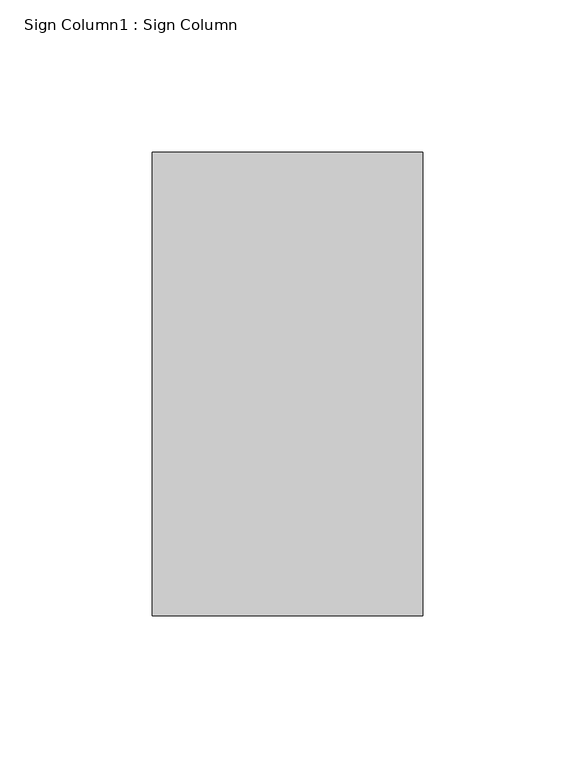
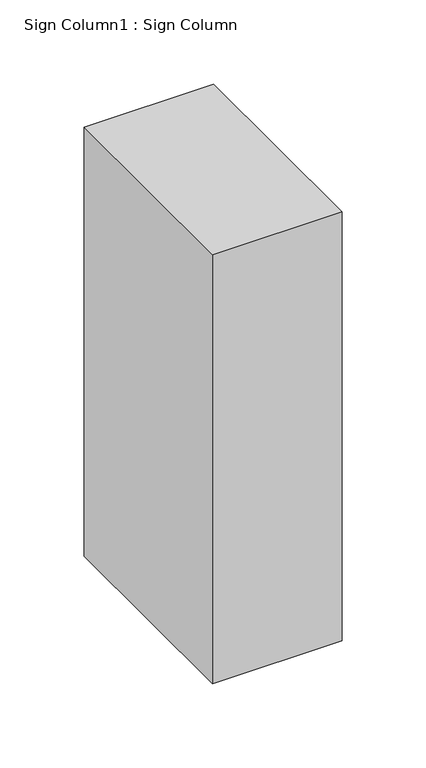
"""IFC4 building model written with IfcOpenShell, lengths in millimetres: proxy geometry, Sign Column1 : Sign Column."""

import ifcopenshell
import ifcopenshell.guid

model = None  # the IFC model being written
_history = None  # IfcOwnerHistory: only IFC2X3 demands one
_inside = {}  # id of a spatial element -> (the spatial element, [elements in it])
_under = {}  # id of a project, library or spatial element -> (it, [spatial elements below it])
_declared = {}  # id of a project -> (the project, [libraries it declares])
_typed = {}  # id of a type object -> (the type object, [elements of that type])
_made_of = {}  # id of a material, layer set ... -> (it, [elements and type objects made of it])


def new_model(schema):
    """Start an empty IFC model of exactly this schema.

    Asked for "IFC4X3", IfcOpenShell would pick the latest addendum, in which some entities
    have other attributes; the version numbers below select the first issue.
    IFC2X3 requires an IfcOwnerHistory on every rooted entity: one is made here for all.
    """
    global model, _history
    if schema == "IFC4X3":
        model = ifcopenshell.file(schema_version=(4, 3, 0, 0))
    else:
        model = ifcopenshell.file(schema=schema)
    _inside.clear()
    _under.clear()
    _declared.clear()
    _typed.clear()
    _made_of.clear()
    _history = None
    if model.schema == "IFC2X3":
        org = make("IfcOrganization", Name="unknown")
        user = make(
            "IfcPersonAndOrganization",
            ThePerson=make("IfcPerson", FamilyName="unknown"),
            TheOrganization=org,
        )
        app = make(
            "IfcApplication",
            ApplicationDeveloper=org,
            Version="unknown",
            ApplicationFullName="unknown",
            ApplicationIdentifier="unknown",
        )
        _history = make(
            "IfcOwnerHistory",
            OwningUser=user,
            OwningApplication=app,
            ChangeAction="ADDED",
            CreationDate=0,
        )
    return model


def make(cls, **values):
    """One entity of the class cls with the attributes given. An attribute that is None is left unset."""
    return model.create_entity(
        cls, **{name: value for name, value in values.items() if value is not None}
    )


def rooted(cls, **values):
    """An entity with a GlobalId (a new one), such as an element, a storey or a relation."""
    return make(cls, GlobalId=ifcopenshell.guid.new(), OwnerHistory=_history, **values)


def si_unit(unit_type, name, prefix=None):
    """IfcSIUnit, for example si_unit("LENGTHUNIT", "METRE", prefix="MILLI")."""
    return make("IfcSIUnit", UnitType=unit_type, Prefix=prefix, Name=name)


def assignment(units):
    """IfcUnitAssignment: the units of a project."""
    return None if units is None else make("IfcUnitAssignment", Units=units)


def point(xyz):
    """IfcCartesianPoint."""
    return None if xyz is None else make("IfcCartesianPoint", Coordinates=xyz)


def direction(xyz):
    """IfcDirection."""
    return None if xyz is None else make("IfcDirection", DirectionRatios=xyz)


def frame(location, z_axis=None, x_axis=None):
    """IfcAxis2Placement3D, a coordinate frame: its origin and axes. An axis left out is left unset."""
    return make(
        "IfcAxis2Placement3D",
        Location=point(location),
        Axis=direction(z_axis),
        RefDirection=direction(x_axis),
    )


def origin():
    """The frame at (0, 0, 0) with its axes left unset."""
    return frame((0.0, 0.0, 0.0))


def place(relative_to, where):
    """IfcLocalPlacement: puts the frame where relative to a parent placement (None: the world)."""
    return make(
        "IfcLocalPlacement", PlacementRelTo=relative_to, RelativePlacement=where
    )


def context(
    kind, dimensions, precision=None, world=None, true_north=None, identifier=None
):
    """IfcGeometricRepresentationContext, for example the 3D "Model" context."""
    return make(
        "IfcGeometricRepresentationContext",
        ContextIdentifier=identifier,
        ContextType=kind,
        CoordinateSpaceDimension=dimensions,
        Precision=precision,
        WorldCoordinateSystem=world,
        TrueNorth=true_north,
    )


def project(units=None, contexts=None):
    """IfcProject with its units and contexts."""
    return rooted(
        "IfcProject",
        Name="project",
        RepresentationContexts=contexts,
        UnitsInContext=assignment(units),
    )


def spatial(cls, under=None, at=None, **own):
    """A site, building, storey or space (cls), placed at a placement, below another one or the project."""
    s = rooted(cls, ObjectPlacement=at, **own)
    if under is not None:
        _under.setdefault(under.id(), (under, []))[1].append(s)
    return s


def polyline(points):
    """IfcPolyline through the points."""
    return make("IfcPolyline", Points=[point(p) for p in points])


def outline(outer, holes=None, kind="AREA"):
    """IfcArbitraryClosedProfileDef: a profile drawn as a closed curve; with holes, ...WithVoids."""
    if holes is None:
        return make("IfcArbitraryClosedProfileDef", ProfileType=kind, OuterCurve=outer)
    return make(
        "IfcArbitraryProfileDefWithVoids",
        ProfileType=kind,
        OuterCurve=outer,
        InnerCurves=holes,
    )


def extrude(swept, where, along, depth):
    """IfcExtrudedAreaSolid: the profile swept, set in the frame where, extruded along a direction by depth."""
    return make(
        "IfcExtrudedAreaSolid",
        SweptArea=swept,
        Position=where,
        ExtrudedDirection=direction(along),
        Depth=depth,
    )


def shape(context_of_items, identifier, shape_type, items):
    """IfcShapeRepresentation: the items that make up one representation, for example the "Body"."""
    return make(
        "IfcShapeRepresentation",
        ContextOfItems=context_of_items,
        RepresentationIdentifier=identifier,
        RepresentationType=shape_type,
        Items=items,
    )


def source(mapping_origin, context_of_items, identifier, shape_type, items):
    """IfcRepresentationMap: a shape defined once, which mapped items show again and again."""
    return make(
        "IfcRepresentationMap",
        MappingOrigin=mapping_origin,
        MappedRepresentation=shape(context_of_items, identifier, shape_type, items),
    )


def transform(
    local_origin,
    x_axis=None,
    y_axis=None,
    z_axis=None,
    scale=None,
    scale2=None,
    scale3=None,
    uniform=True,
):
    """IfcCartesianTransformationOperator3D, or its non-uniform kind. x_axis, y_axis, z_axis: its Axis1, 2, 3."""
    if uniform:
        return make(
            "IfcCartesianTransformationOperator3D",
            Axis1=direction(x_axis),
            Axis2=direction(y_axis),
            LocalOrigin=point(local_origin),
            Scale=scale,
            Axis3=direction(z_axis),
        )
    return make(
        "IfcCartesianTransformationOperator3DnonUniform",
        Axis1=direction(x_axis),
        Axis2=direction(y_axis),
        LocalOrigin=point(local_origin),
        Scale=scale,
        Axis3=direction(z_axis),
        Scale2=scale2,
        Scale3=scale3,
    )


def mapped(mapping_source, mapping_target):
    """IfcMappedItem: shows the shape of a source again, moved by a transform."""
    return make(
        "IfcMappedItem", MappingSource=mapping_source, MappingTarget=mapping_target
    )


def made_of(thing, what):
    """Note that an element or type object is made of a material, layer set ...; save() writes the relation."""
    if what is not None:
        _made_of.setdefault(what.id(), (what, []))[1].append(thing)
    return thing


def element(
    cls,
    number,
    at=None,
    inside=None,
    cuts=None,
    type_object=None,
    material=None,
    context=None,
    identifier="Body",
    shape_type=None,
    held_by="IfcProductDefinitionShape",
    body=None,
    shapes=None,
    **own,
):
    """One element of the class cls, such as IfcWall. Its Tag is "e" and its number.

    at: its placement. inside: the storey or other place that contains it. cuts: it is an
    opening in that element (IfcRelVoidsElement). A single representation is given by context,
    identifier, shape_type and body (its items); several are given by shapes. held_by: the class
    of the entity that holds the representations. save() writes the other relations.
    """
    e = rooted(cls, Tag="e%d" % number, ObjectPlacement=at, **own)
    if body is not None:
        shapes = [shape(context, identifier, shape_type, body)]
    if shapes is not None:
        e.Representation = make(held_by, Representations=shapes)
    if inside is not None:
        _inside.setdefault(inside.id(), (inside, []))[1].append(e)
    if cuts is not None:
        rooted(
            "IfcRelVoidsElement", RelatingBuildingElement=cuts, RelatedOpeningElement=e
        )
    if type_object is not None:
        _typed.setdefault(type_object.id(), (type_object, []))[1].append(e)
    return made_of(e, material)


def aggregate(whole, parts):
    """IfcRelAggregates: a whole, such as a stair, and the parts it consists of."""
    return rooted("IfcRelAggregates", RelatingObject=whole, RelatedObjects=parts)


def save(model, path):
    """Write the relations noted so far, then the file.

    IfcRelAggregates (storeys below a building ...), IfcRelContainedInSpatialStructure (elements
    in a storey), IfcRelDefinesByType, IfcRelAssociatesMaterial and IfcRelDeclares: one each for
    every whole, place, type object, material and project.
    """
    for whole, parts in _under.values():
        aggregate(whole, parts)
    for where, things in _inside.values():
        rooted(
            "IfcRelContainedInSpatialStructure",
            RelatedElements=things,
            RelatingStructure=where,
        )
    for kind, things in _typed.values():
        rooted("IfcRelDefinesByType", RelatedObjects=things, RelatingType=kind)
    for what, things in _made_of.values():
        rooted("IfcRelAssociatesMaterial", RelatedObjects=things, RelatingMaterial=what)
    for by, libraries in _declared.values():
        rooted("IfcRelDeclares", RelatingContext=by, RelatedDefinitions=libraries)
    model.write(path)


def sign_column1_sign_column_ce83ee86(model_context):
    return source(origin(), model_context, "Body", "SweptSolid", [
        extrude(outline(polyline([(227895.9228488, 156293.3096581), (227895.9228488, 156140.9096581), (227807.0228488, 156140.9096581), (227807.0228488, 156293.3096581), (227895.9228488, 156293.3096581)])), frame((0.0, 0.0, 137.4092564), z_axis=(0.0, 0.0, 1.0), x_axis=(1.0, 0.0, 0.0)), (0.0, 0.0, 1.0), 311.15),
    ])


if __name__ == "__main__":
    model = new_model("IFC4")
    model_context = context("Model", 3, world=origin())
    ifc_project = project(units=[si_unit("LENGTHUNIT", "METRE", prefix="MILLI")], contexts=[model_context])
    site = spatial("IfcSite", under=ifc_project)
    building = spatial("IfcBuilding", under=site)
    placement = place(None, origin())
    sign_column1_sign_column_shape = sign_column1_sign_column_ce83ee86(model_context)
    element("IfcBuildingElementProxy", 1, Name="Sign Column1 : Sign Column", ObjectType="Sign Column1 : Sign Column", at=placement, inside=building, context=model_context, shape_type="MappedRepresentation", body=[
        mapped(sign_column1_sign_column_shape, transform((0.0, 0.0, 0.0), x_axis=(1.0, 0.0, 0.0), y_axis=(0.0, 1.0, 0.0), z_axis=(0.0, 0.0, 1.0))),
    ])
    save(model, "model.ifc")
